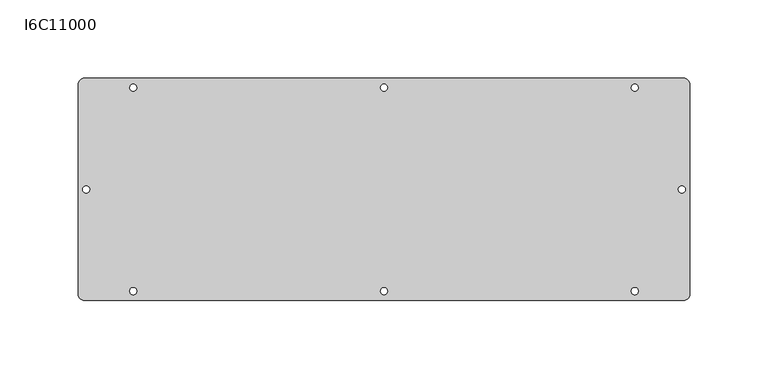
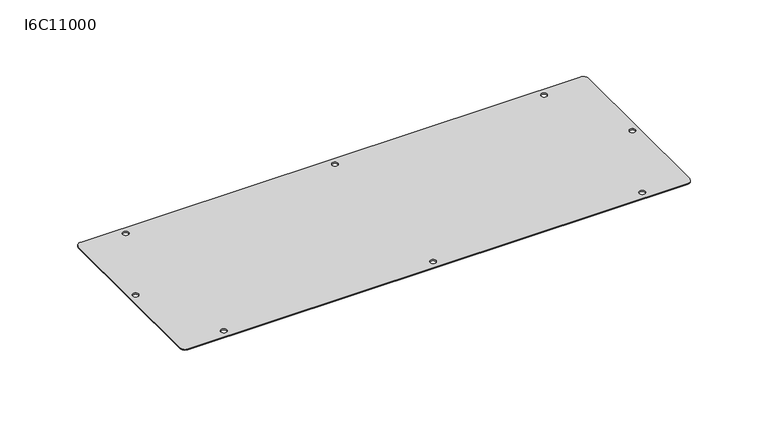
"""IFC4 building model written with IfcOpenShell, lengths in millimetres: proxy geometry, I6C11000."""

from ifc_helpers import new_model, si_unit, point, frame_2d, origin, origin_with_axes, place, context, project, spatial, polyline, circle_curve, trimmed, segment, composite_curve, outline, extrude, source, transform, mapped, element, save


def i6c11000_1b476691(model_context):
    return source(origin(), model_context, "Body", "SweptSolid", [
        extrude(outline(composite_curve([segment(trimmed(circle_curve(frame_2d((191.0, 67.0)), 4.0), [point((191.0, 71.0))], [point((195.0, 67.0))], False, "CARTESIAN"), True, "CONTINUOUS"), segment(polyline([(195.0, 67.0), (195.0, -67.0)]), True, "CONTINUOUS"), segment(trimmed(circle_curve(frame_2d((191.0, -67.0)), 4.0), [point((195.0, -67.0))], [point((191.0, -71.0))], False, "CARTESIAN"), True, "CONTINUOUS"), segment(polyline([(191.0, -71.0), (-191.0, -71.0)]), True, "CONTINUOUS"), segment(trimmed(circle_curve(frame_2d((-191.0, -67.0)), 4.0), [point((-191.0, -71.0))], [point((-195.0, -67.0))], False, "CARTESIAN"), True, "CONTINUOUS"), segment(polyline([(-195.0, -67.0), (-195.0, 67.0)]), True, "CONTINUOUS"), segment(trimmed(circle_curve(frame_2d((-191.0, 67.0)), 4.0), [point((-195.0, 67.0))], [point((-191.0, 71.0))], False, "CARTESIAN"), True, "CONTINUOUS"), segment(polyline([(-191.0, 71.0), (191.0, 71.0)]), True, "CONTINUOUS")], self_intersect=False), holes=[composite_curve([segment(trimmed(circle_curve(frame_2d((190.0, 0.0)), 2.25), [point((192.25, 0.0))], [point((187.75, 0.0))], True, "CARTESIAN"), True, "CONTINUOUS"), segment(trimmed(circle_curve(frame_2d((190.0, 0.0)), 2.25), [point((187.75, 0.0))], [point((192.25, 0.0))], True, "CARTESIAN"), True, "CONTINUOUS")], self_intersect=False), composite_curve([segment(trimmed(circle_curve(frame_2d((160.0, -65.0)), 2.25), [point((162.25, -65.0))], [point((157.75, -65.0))], True, "CARTESIAN"), True, "CONTINUOUS"), segment(trimmed(circle_curve(frame_2d((160.0, -65.0)), 2.25), [point((157.75, -65.0))], [point((162.25, -65.0))], True, "CARTESIAN"), True, "CONTINUOUS")], self_intersect=False), composite_curve([segment(trimmed(circle_curve(frame_2d((0.0, -65.0)), 2.25), [point((2.25, -65.0))], [point((-2.25, -65.0))], True, "CARTESIAN"), True, "CONTINUOUS"), segment(trimmed(circle_curve(frame_2d((0.0, -65.0)), 2.25), [point((-2.25, -65.0))], [point((2.25, -65.0))], True, "CARTESIAN"), True, "CONTINUOUS")], self_intersect=False), composite_curve([segment(trimmed(circle_curve(frame_2d((-160.0, -65.0)), 2.25), [point((-157.75, -65.0))], [point((-162.25, -65.0))], True, "CARTESIAN"), True, "CONTINUOUS"), segment(trimmed(circle_curve(frame_2d((-160.0, -65.0)), 2.25), [point((-162.25, -65.0))], [point((-157.75, -65.0))], True, "CARTESIAN"), True, "CONTINUOUS")], self_intersect=False), composite_curve([segment(trimmed(circle_curve(frame_2d((-160.0, 65.0)), 2.25), [point((-157.75, 65.0))], [point((-162.25, 65.0))], True, "CARTESIAN"), True, "CONTINUOUS"), segment(trimmed(circle_curve(frame_2d((-160.0, 65.0)), 2.25), [point((-162.25, 65.0))], [point((-157.75, 65.0))], True, "CARTESIAN"), True, "CONTINUOUS")], self_intersect=False), composite_curve([segment(trimmed(circle_curve(frame_2d((0.0, 65.0)), 2.25), [point((2.25, 65.0))], [point((-2.25, 65.0))], True, "CARTESIAN"), True, "CONTINUOUS"), segment(trimmed(circle_curve(frame_2d((0.0, 65.0)), 2.25), [point((-2.25, 65.0))], [point((2.25, 65.0))], True, "CARTESIAN"), True, "CONTINUOUS")], self_intersect=False), composite_curve([segment(trimmed(circle_curve(frame_2d((160.0, 65.0)), 2.25), [point((162.25, 65.0))], [point((157.75, 65.0))], True, "CARTESIAN"), True, "CONTINUOUS"), segment(trimmed(circle_curve(frame_2d((160.0, 65.0)), 2.25), [point((157.75, 65.0))], [point((162.25, 65.0))], True, "CARTESIAN"), True, "CONTINUOUS")], self_intersect=False), composite_curve([segment(trimmed(circle_curve(frame_2d((-190.0, 0.0)), 2.25), [point((-187.75, 0.0))], [point((-192.25, 0.0))], True, "CARTESIAN"), True, "CONTINUOUS"), segment(trimmed(circle_curve(frame_2d((-190.0, 0.0)), 2.25), [point((-192.25, 0.0))], [point((-187.75, 0.0))], True, "CARTESIAN"), True, "CONTINUOUS")], self_intersect=False)]), origin_with_axes(), (0.0, 0.0, 1.0), 0.8),
    ])


if __name__ == "__main__":
    model = new_model("IFC4")
    model_context = context("Model", 3, world=origin())
    ifc_project = project(units=[si_unit("LENGTHUNIT", "METRE", prefix="MILLI")], contexts=[model_context])
    site = spatial("IfcSite", under=ifc_project)
    building = spatial("IfcBuilding", under=site)
    placement = place(None, origin())
    i6c11000_shape = i6c11000_1b476691(model_context)
    element("IfcBuildingElementProxy", 1, Name="I6C11000", ObjectType="I6C11000", at=placement, inside=building, context=model_context, shape_type="MappedRepresentation", body=[
        mapped(i6c11000_shape, transform((0.0, 0.0, 0.0), x_axis=(1.0, 0.0, 0.0), y_axis=(0.0, 1.0, 0.0), z_axis=(0.0, 0.0, 1.0))),
    ])
    save(model, "model.ifc")
